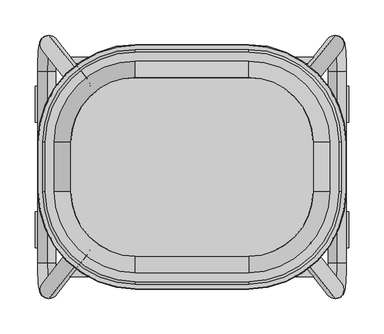
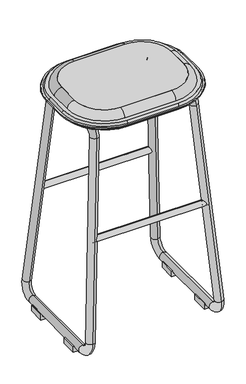
"""IFC4 building model written with IfcOpenShell, lengths in millimetres: furniture geometry."""

from ifc_helpers import new_model, si_unit, point, frame, frame_2d, origin, place, context, project, spatial, polyline, circle_curve, ellipse_curve, trimmed, segment, composite_curve, outline, extrude, source, transform, mapped, element, save
from ifc_brep_helpers import plane_surface, cylinder_surface, revolved_surface, advanced_brep


def furniture_a6518928(model_context):
    return source(origin(), model_context, "Body", "SolidModel", [
        advanced_brep(
        [(-171.9189031, 34.925, 774.7), (-171.9189031, -34.925, 774.7), (-80.1154768, -126.7284262, 774.7), (80.1154768, -126.7284262, 774.7), (171.9189031, -34.925, 774.7), (171.9189031, 34.925, 774.7), (80.1154768, 126.7284262, 774.7), (-80.1154768, 126.7284262, 774.7), (-178.5135382, 34.925, 730.2750418), (-80.1154768, 133.3230614, 730.2750418), (80.1154768, 133.3230614, 730.2750418), (178.5135382, 34.925, 730.2750418), (178.5135382, -34.925, 730.2750418), (80.1154768, -133.3230614, 730.2750418), (-80.1154768, -133.3230614, 730.2750418), (-178.5135382, -34.925, 730.2750418)],
        [
            (0, 1),
            (1, 2, circle_curve(frame((-80.1154768, -34.925, 774.7), z_axis=(0.0, 0.0, 1.0), x_axis=(0.0, -1.0000000000000002, 0.0)), 91.8034262)),
            (2, 3),
            (3, 4, circle_curve(frame((80.1154768, -34.925, 774.7), z_axis=(0.0, 0.0, 1.0), x_axis=(1.0000000000000002, 0.0, 0.0)), 91.8034262)),
            (4, 5),
            (5, 6, circle_curve(frame((80.1154768, 34.925, 774.7), z_axis=(0.0, 0.0, 1.0), x_axis=(0.0, 1.0000000000000002, 0.0)), 91.8034262)),
            (6, 7),
            (7, 0, circle_curve(frame((-80.1154768, 34.925, 774.7), z_axis=(0.0, 0.0, 1.0), x_axis=(-1.0000000000000002, 0.0, 0.0)), 91.8034262)),
            (8, 9, circle_curve(frame((-80.1154768, 34.925, 730.2750418), z_axis=(0.0, 0.0, -1.0), x_axis=(-1.0000000000000002, 0.0, 0.0)), 98.3980614)),
            (9, 10),
            (10, 11, circle_curve(frame((80.1154768, 34.925, 730.2750418), z_axis=(0.0, 0.0, -1.0), x_axis=(0.0, 1.0000000000000002, 0.0)), 98.3980614)),
            (11, 12),
            (12, 13, circle_curve(frame((80.1154768, -34.925, 730.2750418), z_axis=(0.0, 0.0, -1.0), x_axis=(1.0000000000000002, 0.0, 0.0)), 98.3980614)),
            (13, 14),
            (14, 15, circle_curve(frame((-80.1154768, -34.925, 730.2750418), z_axis=(0.0, 0.0, -1.0), x_axis=(0.0, -1.0000000000000002, 0.0)), 98.3980614)),
            (15, 8),
            (8, 0),
            (7, 9),
            (6, 10),
            (5, 11),
            (4, 12),
            (3, 13),
            (2, 14),
            (1, 15),
        ],
        [
            plane_surface(frame((0.0, 0.0, 774.7), z_axis=(0.0, 0.0, 1.0), x_axis=(1.0, 0.0, 0.0))),
            plane_surface(frame((0.0, 0.0, 730.2750418), z_axis=(0.0, 0.0, -1.0), x_axis=(1.0, 0.0, 0.0))),
            revolved_surface(polyline([(-171.91890304995738, 34.925, 774.7), (-178.5135382, 34.925, 730.2750418)]), (-80.1154768, 34.925, 1393.1365444), (0.0, 0.0, -1.0)),
            plane_surface(frame((0.0, 133.3230614, 730.2750418), z_axis=(0.0, 0.989160943328851, 0.14683537786507003), x_axis=(1.0, 0.0, 0.0))),
            revolved_surface(polyline([(80.1154768, 126.72842624995738, 774.7), (80.1154768, 133.3230614, 730.2750418)]), (80.1154768, 34.925, 1393.1365444), (0.0, 0.0, -1.0)),
            plane_surface(frame((178.5135382, 0.0, 730.2750418), z_axis=(0.9891609433288493, 0.0, 0.14683537786508108), x_axis=(0.0, -1.0, 0.0))),
            revolved_surface(polyline([(171.91890304995738, -34.925, 774.7), (178.5135382, -34.925, 730.2750418)]), (80.1154768, -34.925, 1393.1365444), (0.0, 0.0, -1.0)),
            plane_surface(frame((0.0, -133.3230614, 730.2750418), z_axis=(0.0, -0.9891609433288517, 0.14683537786506412), x_axis=(-1.0, 0.0, 0.0))),
            revolved_surface(polyline([(-80.1154768, -126.72842624995738, 774.7), (-80.1154768, -133.3230614, 730.2750418)]), (-80.1154768, -34.925, 1393.1365444), (0.0, 0.0, -1.0)),
            plane_surface(frame((-178.5135382, 0.0, 730.2750418), z_axis=(-0.989160943328849, 0.0, 0.14683537786508405), x_axis=(0.0, 1.0, 0.0))),
        ],
        [
            (0, [[1, 2, 3, 4, 5, 6, 7, 8]]),
            (1, [[9, 10, 11, 12, 13, 14, 15, 16]]),
            (2, [[17, -8, 18, -9]]),
            (3, [[-18, -7, 19, -10]]),
            (4, [[-19, -6, 20, -11]]),
            (5, [[-20, -5, 21, -12]]),
            (6, [[-21, -4, 22, -13]]),
            (7, [[-22, -3, 23, -14]]),
            (8, [[-23, -2, 24, -15]]),
            (9, [[-24, -1, -17, -16]]),
        ],
    ),
        advanced_brep(
        [(80.1154768, -126.7284262, 774.7), (80.1154768, -133.3230614, 730.2750418), (-80.1154768, -133.3230614, 730.2750418), (-80.1154768, -126.7284262, 774.7), (-80.1154768, -127.3919978, 774.7097382), (-80.1154768, -149.9409798, 753.7993229), (80.1154768, -149.9409798, 753.7993229), (-207.8314566, -34.925, 753.7993229), (-80.1154768, -162.6409798, 753.7993229), (80.1154768, -162.6409798, 753.7993229), (207.8314566, -34.925, 753.7993229), (207.8314566, 34.925, 753.7993229), (80.1154768, 162.6409798, 753.7993229), (-80.1154768, 162.6409798, 753.7993229), (-207.8314566, 34.925, 753.7993229), (-195.1314566, -34.925, 753.7993229), (-195.1314566, 34.925, 753.7993229), (-80.1154768, 149.9409798, 753.7993229), (80.1154768, 149.9409798, 753.7993229), (195.1314566, 34.925, 753.7993229), (195.1314566, -34.925, 753.7993229), (-80.1154768, -166.2791169, 745.9973126), (80.1154768, -166.2791169, 745.9973126), (-217.8195937, -34.925, 745.9973126), (-80.1154768, -172.6291169, 745.9973126), (80.1154768, -172.6291169, 745.9973126), (217.8195937, -34.925, 745.9973126), (217.8195937, 34.925, 745.9973126), (80.1154768, 172.6291169, 745.9973126), (-80.1154768, 172.6291169, 745.9973126), (-217.8195937, 34.925, 745.9973126), (-211.4695937, -34.925, 745.9973126), (-211.4695937, 34.925, 745.9973126), (-80.1154768, 166.2791169, 745.9973126), (80.1154768, 166.2791169, 745.9973126), (211.4695937, 34.925, 745.9973126), (211.4695937, -34.925, 745.9973126), (-80.1154768, -173.4175169, 743.0549637), (80.1154768, -173.4175169, 743.0549637), (-218.6079938, -34.925, 743.0549637), (-218.6079938, 34.925, 743.0549637), (-80.1154768, 173.4175169, 743.0549637), (80.1154768, 173.4175169, 743.0549637), (218.6079938, 34.925, 743.0549637), (218.6079938, -34.925, 743.0549637), (-212.2579938, -34.925, 743.0549637), (-80.1154768, -167.0675169, 743.0549637), (80.1154768, -167.0675169, 743.0549637), (212.2579938, -34.925, 743.0549637), (212.2579938, 34.925, 743.0549637), (80.1154768, 167.0675169, 743.0549637), (-80.1154768, 167.0675169, 743.0549637), (-212.2579938, 34.925, 743.0549637), (-80.1154768, -163.4840689, 733.2095211), (80.1154768, -163.4840689, 733.2095211), (171.9189031, -34.925, 774.7), (178.5135382, -34.925, 730.2750418), (208.6745457, -34.925, 733.2095211), (171.9189031, 34.925, 774.7), (178.5135382, 34.925, 730.2750418), (208.6745457, 34.925, 733.2095211), (80.1154768, 126.7284262, 774.7), (80.1154768, 133.3230614, 730.2750418), (80.1154768, 163.4840689, 733.2095211), (-80.1154768, 126.7284262, 774.7), (-80.1154768, 133.3230614, 730.2750418), (-80.1154768, 163.4840689, 733.2095211), (-171.9189031, -34.925, 774.7), (-178.5135382, -34.925, 730.2750418), (-208.6745457, -34.925, 733.2095211), (-178.5135382, 34.925, 730.2750418), (-171.9189031, 34.925, 774.7), (-208.6745457, 34.925, 733.2095211)],
        [
            (0, 1),
            (1, 2),
            (2, 3),
            (3, 0),
            (3, 4, circle_curve(frame((-80.1154768, -127.3919978, 752.0965561), z_axis=(1.0, 0.0, 0.0), x_axis=(0.0, -1.0000000000000002, 0.0)), 22.6131821)),
            (4, 5, circle_curve(frame((-80.1154768, -127.3919978, 752.0965561), z_axis=(1.0, 0.0, 0.0), x_axis=(0.0, -1.0000000000000002, 0.0)), 22.6131821)),
            (5, 6),
            (6, 0, circle_curve(frame((80.1154768, -127.3919978, 752.0965561), z_axis=(-1.0, 0.0, 0.0), x_axis=(0.0, -1.0000000000000002, 0.0)), 22.6131821)),
            (7, 8, circle_curve(frame((-80.1154768, -34.925, 753.7993229), z_axis=(0.0, 0.0, 1.0), x_axis=(-1.0000000000000002, 0.0, 0.0)), 127.7159798)),
            (8, 9),
            (9, 10, circle_curve(frame((80.1154768, -34.925, 753.7993229), z_axis=(0.0, 0.0, 1.0), x_axis=(1.0000000000000002, 0.0, 0.0)), 127.7159798)),
            (10, 11),
            (11, 12, circle_curve(frame((80.1154768, 34.925, 753.7993229), z_axis=(0.0, 0.0, 1.0), x_axis=(1.0000000000000002, 0.0, 0.0)), 127.7159798)),
            (12, 13),
            (13, 14, circle_curve(frame((-80.1154768, 34.925, 753.7993229), z_axis=(0.0, 0.0, 1.0), x_axis=(-1.0000000000000002, 0.0, 0.0)), 127.7159798)),
            (14, 7),
            (5, 15, circle_curve(frame((-80.1154768, -34.925, 753.7993229), z_axis=(0.0, 0.0, -1.0), x_axis=(-1.0000000000000002, 0.0, 0.0)), 115.0159798)),
            (15, 16),
            (16, 17, circle_curve(frame((-80.1154768, 34.925, 753.7993229), z_axis=(0.0, 0.0, -1.0), x_axis=(-1.0000000000000002, 0.0, 0.0)), 115.0159798)),
            (17, 18),
            (18, 19, circle_curve(frame((80.1154768, 34.925, 753.7993229), z_axis=(0.0, 0.0, -1.0), x_axis=(1.0000000000000002, 0.0, 0.0)), 115.0159798)),
            (19, 20),
            (20, 6, circle_curve(frame((80.1154768, -34.925, 753.7993229), z_axis=(0.0, 0.0, -1.0), x_axis=(1.0000000000000002, 0.0, 0.0)), 115.0159798)),
            (8, 21, circle_curve(frame((-80.1154768, -153.8392427, 744.9457548), z_axis=(1.0, 0.0, 0.0), x_axis=(0.0, -1.0000000000000002, 0.0)), 12.4842398)),
            (21, 22),
            (22, 9, circle_curve(frame((80.1154768, -153.8392427, 744.9457548), z_axis=(-1.0, 0.0, 0.0), x_axis=(0.0, -1.0000000000000002, 0.0)), 12.4842398)),
            (23, 24, circle_curve(frame((-80.1154768, -34.925, 745.9973126), z_axis=(0.0, 0.0, 1.0), x_axis=(-1.0000000000000002, 0.0, 0.0)), 137.7041169)),
            (24, 25),
            (25, 26, circle_curve(frame((80.1154768, -34.925, 745.9973126), z_axis=(0.0, 0.0, 1.0), x_axis=(1.0000000000000002, 0.0, 0.0)), 137.7041169)),
            (26, 27),
            (27, 28, circle_curve(frame((80.1154768, 34.925, 745.9973126), z_axis=(0.0, 0.0, 1.0), x_axis=(1.0000000000000002, 0.0, 0.0)), 137.7041169)),
            (28, 29),
            (29, 30, circle_curve(frame((-80.1154768, 34.925, 745.9973126), z_axis=(0.0, 0.0, 1.0), x_axis=(-1.0000000000000002, 0.0, 0.0)), 137.7041169)),
            (30, 23),
            (21, 31, circle_curve(frame((-80.1154768, -34.925, 745.9973126), z_axis=(0.0, 0.0, -1.0), x_axis=(-1.0000000000000002, 0.0, 0.0)), 131.3541169)),
            (31, 32),
            (32, 33, circle_curve(frame((-80.1154768, 34.925, 745.9973126), z_axis=(0.0, 0.0, -1.0), x_axis=(-1.0000000000000002, 0.0, 0.0)), 131.3541169)),
            (33, 34),
            (34, 35, circle_curve(frame((80.1154768, 34.925, 745.9973126), z_axis=(0.0, 0.0, -1.0), x_axis=(1.0000000000000002, 0.0, 0.0)), 131.3541169)),
            (35, 36),
            (36, 22, circle_curve(frame((80.1154768, -34.925, 745.9973126), z_axis=(0.0, 0.0, -1.0), x_axis=(1.0000000000000002, 0.0, 0.0)), 131.3541169)),
            (24, 37),
            (37, 38),
            (38, 25),
            (37, 39, circle_curve(frame((-80.1154768, -34.925, 743.0549637), z_axis=(0.0, 0.0, -1.0), x_axis=(-1.0000000000000002, 0.0, 0.0)), 138.4925169)),
            (39, 40),
            (40, 41, circle_curve(frame((-80.1154768, 34.925, 743.0549637), z_axis=(0.0, 0.0, -1.0), x_axis=(-1.0000000000000002, 0.0, 0.0)), 138.4925169)),
            (41, 42),
            (42, 43, circle_curve(frame((80.1154768, 34.925, 743.0549637), z_axis=(0.0, 0.0, -1.0), x_axis=(1.0000000000000002, 0.0, 0.0)), 138.4925169)),
            (43, 44),
            (44, 38, circle_curve(frame((80.1154768, -34.925, 743.0549637), z_axis=(0.0, 0.0, -1.0), x_axis=(1.0000000000000002, 0.0, 0.0)), 138.4925169)),
            (45, 46, circle_curve(frame((-80.1154768, -34.925, 743.0549637), z_axis=(0.0, 0.0, 1.0), x_axis=(-1.0000000000000002, 0.0, 0.0)), 132.1425169)),
            (46, 47),
            (47, 48, circle_curve(frame((80.1154768, -34.925, 743.0549637), z_axis=(0.0, 0.0, 1.0), x_axis=(1.0000000000000002, 0.0, 0.0)), 132.1425169)),
            (48, 49),
            (49, 50, circle_curve(frame((80.1154768, 34.925, 743.0549637), z_axis=(0.0, 0.0, 1.0), x_axis=(1.0000000000000002, 0.0, 0.0)), 132.1425169)),
            (50, 51),
            (51, 52, circle_curve(frame((-80.1154768, 34.925, 743.0549637), z_axis=(0.0, 0.0, 1.0), x_axis=(-1.0000000000000002, 0.0, 0.0)), 132.1425169)),
            (52, 45),
            (46, 53, circle_curve(frame((-80.1154768, -148.476041, 744.246852), z_axis=(1.0, 0.0, 0.0), x_axis=(0.0, -1.0000000000000002, 0.0)), 18.6296423)),
            (53, 54),
            (54, 47, circle_curve(frame((80.1154768, -148.476041, 744.246852), z_axis=(-1.0, 0.0, 0.0), x_axis=(0.0, -1.0000000000000002, 0.0)), 18.6296423)),
            (1, 54),
            (53, 2),
            (20, 55, circle_curve(frame((172.5824746, -34.925, 752.0965561), z_axis=(0.0, -1.0000000000000002, 0.0), x_axis=(0.0, 0.0, 1.0)), 22.6131821)),
            (55, 0, circle_curve(frame((80.1154768, -34.925, 774.7), z_axis=(0.0, 0.0, -1.0), x_axis=(1.0000000000000002, 0.0, 0.0)), 91.8034262)),
            (55, 56),
            (56, 1, circle_curve(frame((80.1154768, -34.925, 730.2750418), z_axis=(0.0, 0.0, -1.0), x_axis=(1.0000000000000002, 0.0, 0.0)), 98.3980614)),
            (56, 57),
            (57, 54, circle_curve(frame((80.1154768, -34.925, 733.2095211), z_axis=(0.0, 0.0, -1.0), x_axis=(1.0000000000000002, 0.0, 0.0)), 128.5590689)),
            (57, 48, circle_curve(frame((193.6665179, -34.925, 744.246852), z_axis=(0.0, -1.0000000000000002, 0.0), x_axis=(0.0, 0.0, 1.0)), 18.6296423)),
            (44, 26),
            (36, 10, circle_curve(frame((199.0297195, -34.925, 744.9457548), z_axis=(0.0, -1.0000000000000002, 0.0), x_axis=(0.0, 0.0, 1.0)), 12.4842398)),
            (58, 59),
            (59, 56),
            (55, 58),
            (59, 60),
            (60, 57),
            (60, 49, circle_curve(frame((193.6665179, 34.925, 744.246852), z_axis=(0.0, -1.0, 0.0), x_axis=(0.0, 0.0, 1.0)), 18.6296423)),
            (43, 27),
            (35, 11, circle_curve(frame((199.0297195, 34.925, 744.9457548), z_axis=(0.0, -1.0, 0.0), x_axis=(0.0, 0.0, 1.0)), 12.4842398)),
            (19, 58, circle_curve(frame((172.5824746, 34.925, 752.0965561), z_axis=(0.0, -1.0, 0.0), x_axis=(0.0, 0.0, 1.0)), 22.6131821)),
            (18, 61, circle_curve(frame((80.1154768, 127.3919978, 752.0965561), z_axis=(1.0000000000000002, 0.0, 0.0), x_axis=(0.0, 0.0, 1.0)), 22.6131821)),
            (61, 58, circle_curve(frame((80.1154768, 34.925, 774.7), z_axis=(0.0, 0.0, -1.0), x_axis=(1.0000000000000002, 0.0, 0.0)), 91.8034262)),
            (61, 62),
            (62, 59, circle_curve(frame((80.1154768, 34.925, 730.2750418), z_axis=(0.0, 0.0, -1.0), x_axis=(1.0000000000000002, 0.0, 0.0)), 98.3980614)),
            (62, 63),
            (63, 60, circle_curve(frame((80.1154768, 34.925, 733.2095211), z_axis=(0.0, 0.0, -1.0), x_axis=(1.0000000000000002, 0.0, 0.0)), 128.5590689)),
            (63, 50, circle_curve(frame((80.1154768, 148.476041, 744.246852), z_axis=(1.0000000000000002, 0.0, 0.0), x_axis=(0.0, 0.0, 1.0)), 18.6296423)),
            (42, 28),
            (34, 12, circle_curve(frame((80.1154768, 153.8392427, 744.9457548), z_axis=(1.0000000000000002, 0.0, 0.0), x_axis=(0.0, 0.0, 1.0)), 12.4842398)),
            (61, 64),
            (64, 65),
            (65, 62),
            (17, 64, circle_curve(frame((-80.1154768, 127.3919978, 752.0965561), z_axis=(1.0, 0.0, 0.0), x_axis=(0.0, 1.0000000000000002, 0.0)), 22.6131821)),
            (33, 13, circle_curve(frame((-80.1154768, 153.8392427, 744.9457548), z_axis=(1.0, 0.0, 0.0), x_axis=(0.0, 1.0000000000000002, 0.0)), 12.4842398)),
            (41, 29),
            (63, 66),
            (66, 51, circle_curve(frame((-80.1154768, 148.476041, 744.246852), z_axis=(1.0, 0.0, 0.0), x_axis=(0.0, 1.0000000000000002, 0.0)), 18.6296423)),
            (65, 66),
            (3, 67, circle_curve(frame((-80.1154768, -34.925, 774.7), z_axis=(0.0, 0.0, -1.0), x_axis=(-1.0000000000000002, 0.0, 0.0)), 91.8034262)),
            (67, 15, circle_curve(frame((-172.5824746, -34.925, 752.0965561), z_axis=(0.0, -1.0000000000000002, 0.0), x_axis=(0.0, 0.0, 1.0)), 22.6131821)),
            (2, 68, circle_curve(frame((-80.1154768, -34.925, 730.2750418), z_axis=(0.0, 0.0, -1.0), x_axis=(-1.0000000000000002, 0.0, 0.0)), 98.3980614)),
            (68, 67),
            (53, 69, circle_curve(frame((-80.1154768, -34.925, 733.2095211), z_axis=(0.0, 0.0, -1.0), x_axis=(-1.0000000000000002, 0.0, 0.0)), 128.5590689)),
            (69, 68),
            (45, 69, circle_curve(frame((-193.6665179, -34.925, 744.246852), z_axis=(0.0, -1.0000000000000002, 0.0), x_axis=(0.0, 0.0, 1.0)), 18.6296423)),
            (23, 39),
            (7, 31, circle_curve(frame((-199.0297195, -34.925, 744.9457548), z_axis=(0.0, -1.0000000000000002, 0.0), x_axis=(0.0, 0.0, 1.0)), 12.4842398)),
            (70, 71),
            (71, 67),
            (68, 70),
            (69, 72),
            (72, 70),
            (52, 72, circle_curve(frame((-193.6665179, 34.925, 744.246852), z_axis=(0.0, -1.0, 0.0), x_axis=(0.0, 0.0, 1.0)), 18.6296423)),
            (30, 40),
            (14, 32, circle_curve(frame((-199.0297195, 34.925, 744.9457548), z_axis=(0.0, -1.0, 0.0), x_axis=(0.0, 0.0, 1.0)), 12.4842398)),
            (71, 16, circle_curve(frame((-172.5824746, 34.925, 752.0965561), z_axis=(0.0, -1.0, 0.0), x_axis=(0.0, 0.0, 1.0)), 22.6131821)),
            (71, 64, circle_curve(frame((-80.1154768, 34.925, 774.7), z_axis=(0.0, 0.0, -1.0), x_axis=(-1.0000000000000002, 0.0, 0.0)), 91.8034262)),
            (70, 65, circle_curve(frame((-80.1154768, 34.925, 730.2750418), z_axis=(0.0, 0.0, -1.0), x_axis=(-1.0000000000000002, 0.0, 0.0)), 98.3980614)),
            (72, 66, circle_curve(frame((-80.1154768, 34.925, 733.2095211), z_axis=(0.0, 0.0, -1.0), x_axis=(-1.0000000000000002, 0.0, 0.0)), 128.5590689)),
        ],
        [
            plane_surface(frame((80.1154768, -126.7284262, 774.7), z_axis=(0.0, 0.9891609433288518, -0.1468353778650639), x_axis=(-1.0, 0.0, 0.0))),
            cylinder_surface(frame((-80.1154768, -127.3919978, 752.0965561), z_axis=(1.0000000000000002, 0.0, 0.0), x_axis=(0.0, -1.0000000000000002, 0.0)), 22.6131821),
            plane_surface(frame((80.1154768, -162.6409798, 753.7993229), z_axis=(0.0, 0.0, 1.0), x_axis=(-1.0, 0.0, 0.0))),
            cylinder_surface(frame((-80.1154768, -153.8392427, 744.9457548), z_axis=(1.0000000000000002, 0.0, 0.0), x_axis=(0.0, -1.0000000000000002, 0.0)), 12.4842398),
            plane_surface(frame((80.1154768, -172.6291169, 745.9973126), z_axis=(0.0, 0.0, 1.0), x_axis=(-1.0, 0.0, 0.0))),
            plane_surface(frame((80.1154768, -173.4175169, 743.0549637), z_axis=(0.0, -0.9659258262890752, 0.2588190451024952), x_axis=(-1.0, 0.0, 0.0))),
            plane_surface(frame((80.1154768, -167.0675169, 743.0549637), z_axis=(0.0, 0.0, -1.0), x_axis=(-1.0, 0.0, 0.0))),
            cylinder_surface(frame((-80.1154768, -148.476041, 744.246852), z_axis=(1.0000000000000002, 0.0, 0.0), x_axis=(0.0, -1.0000000000000002, 0.0)), 18.6296423),
            plane_surface(frame((80.1154768, -133.3230614, 730.2750418), z_axis=(0.0, -0.09683655773188508, -0.9953002969388883), x_axis=(-1.0, 0.0, 0.0))),
            revolved_surface(trimmed(ellipse_curve(frame((172.5824746, -34.925, 752.0965561), z_axis=(0.0, -1.0000000000000002, 0.0), x_axis=(0.0, 0.0, 1.0)), 22.6131821, 22.6131821), [point((195.1314566, -34.925, 753.7993229))], [point((171.9189031, -34.925, 774.7))], True, "CARTESIAN"), (80.1154768, -34.925, 866.2574778), (0.0, 0.0, 1.0)),
            revolved_surface(polyline([(171.9189031, -34.925, 774.7), (178.5135382, -34.925, 730.2750418)]), (80.1154768, -34.925, 866.2574778), (0.0, 0.0, 1.0)),
            revolved_surface(polyline([(178.5135382, -34.925, 730.2750418), (208.6745457, -34.925, 733.2095211)]), (80.1154768, -34.925, 866.2574778), (0.0, 0.0, 1.0)),
            revolved_surface(trimmed(ellipse_curve(frame((193.6665179, -34.925, 744.246852), z_axis=(0.0, -1.0000000000000002, 0.0), x_axis=(0.0, 0.0, 1.0)), 18.6296423, 18.6296423), [point((208.6745457, -34.925, 733.2095211))], [point((212.2579938, -34.925, 743.0549637))], True, "CARTESIAN"), (80.1154768, -34.925, 866.2574778), (0.0, 0.0, 1.0)),
            revolved_surface(polyline([(218.6079938, -34.925, 743.0549637), (217.8195937, -34.925, 745.9973126)]), (80.1154768, -34.925, 866.2574778), (0.0, 0.0, 1.0)),
            revolved_surface(trimmed(ellipse_curve(frame((199.0297195, -34.925, 744.9457548), z_axis=(0.0, -1.0000000000000002, 0.0), x_axis=(0.0, 0.0, 1.0)), 12.4842398, 12.4842398), [point((211.4695937, -34.925, 745.9973126))], [point((207.8314566, -34.925, 753.7993229))], True, "CARTESIAN"), (80.1154768, -34.925, 866.2574778), (0.0, 0.0, 1.0)),
            plane_surface(frame((171.9189031, 34.925, 774.7), z_axis=(-0.9891609433288493, 0.0, -0.14683537786508108), x_axis=(0.0, -1.0, 0.0))),
            plane_surface(frame((178.5135382, 34.925, 730.2750418), z_axis=(0.09683655773190229, 0.0, -0.9953002969388867), x_axis=(0.0, -1.0, 0.0))),
            cylinder_surface(frame((193.6665179, -34.925, 744.246852), z_axis=(0.0, 1.0000000000000002, 0.0), x_axis=(0.0, 0.0, 1.0)), 18.6296423),
            plane_surface(frame((218.6079938, 34.925, 743.0549637), z_axis=(0.9659258262890694, 0.0, 0.2588190451025166), x_axis=(0.0, -1.0, 0.0))),
            cylinder_surface(frame((199.0297195, -34.925, 744.9457548), z_axis=(0.0, 1.0000000000000002, 0.0), x_axis=(0.0, 0.0, 1.0)), 12.4842398),
            cylinder_surface(frame((172.5824746, -34.925, 752.0965561), z_axis=(0.0, 1.0000000000000002, 0.0), x_axis=(0.0, 0.0, 1.0)), 22.6131821),
            revolved_surface(trimmed(ellipse_curve(frame((172.5824746, 34.925, 752.0965561), z_axis=(0.0, 1.0000000000000002, 0.0), x_axis=(0.0, 0.0, 1.0)), 22.6131821, 22.6131821), [point((171.9189031, 34.925, 774.7))], [point((195.1314566, 34.925, 753.7993229))], True, "CARTESIAN"), (80.1154768, 34.925, 866.2574778), (0.0, 0.0, -1.0)),
            revolved_surface(polyline([(178.5135382, 34.925, 730.2750418), (171.9189031, 34.925, 774.7)]), (80.1154768, 34.925, 866.2574778), (0.0, 0.0, -1.0)),
            revolved_surface(polyline([(208.6745457, 34.925, 733.2095211), (178.5135382, 34.925, 730.2750418)]), (80.1154768, 34.925, 866.2574778), (0.0, 0.0, -1.0)),
            revolved_surface(trimmed(ellipse_curve(frame((193.6665179, 34.925, 744.246852), z_axis=(0.0, 1.0000000000000002, 0.0), x_axis=(0.0, 0.0, 1.0)), 18.6296423, 18.6296423), [point((212.2579938, 34.925, 743.0549637))], [point((208.6745457, 34.925, 733.2095211))], True, "CARTESIAN"), (80.1154768, 34.925, 866.2574778), (0.0, 0.0, -1.0)),
            revolved_surface(polyline([(217.8195937, 34.925, 745.9973126), (218.6079938, 34.925, 743.0549637)]), (80.1154768, 34.925, 866.2574778), (0.0, 0.0, -1.0)),
            revolved_surface(trimmed(ellipse_curve(frame((199.0297195, 34.925, 744.9457548), z_axis=(0.0, 1.0000000000000002, 0.0), x_axis=(0.0, 0.0, 1.0)), 12.4842398, 12.4842398), [point((207.8314566, 34.925, 753.7993229))], [point((211.4695937, 34.925, 745.9973126))], True, "CARTESIAN"), (80.1154768, 34.925, 866.2574778), (0.0, 0.0, -1.0)),
            plane_surface(frame((80.1154768, 133.3230614, 730.2750418), z_axis=(0.0, -0.9891609433288518, -0.14683537786506393), x_axis=(-1.0, 0.0, 0.0))),
            cylinder_surface(frame((-80.1154768, 127.3919978, 752.0965561), z_axis=(1.0000000000000002, 0.0, 0.0), x_axis=(0.0, 1.0000000000000002, 0.0)), 22.6131821),
            cylinder_surface(frame((-80.1154768, 153.8392427, 744.9457548), z_axis=(1.0000000000000002, 0.0, 0.0), x_axis=(0.0, 1.0000000000000002, 0.0)), 12.4842398),
            plane_surface(frame((80.1154768, 172.6291169, 745.9973126), z_axis=(0.0, 0.9659258262890752, 0.2588190451024952), x_axis=(-1.0, 0.0, 0.0))),
            cylinder_surface(frame((-80.1154768, 148.476041, 744.246852), z_axis=(1.0000000000000002, 0.0, 0.0), x_axis=(0.0, 1.0000000000000002, 0.0)), 18.6296423),
            plane_surface(frame((80.1154768, 163.4840689, 733.2095211), z_axis=(0.0, 0.0968365577318848, -0.9953002969388883), x_axis=(-1.0, 0.0, 0.0))),
            revolved_surface(trimmed(ellipse_curve(frame((-172.5824746, -34.925, 752.0965561), z_axis=(0.0, -1.0000000000000002, 0.0), x_axis=(0.0, 0.0, 1.0)), 22.6131821, 22.6131821), [point((-171.9189031, -34.925, 774.7))], [point((-195.1314566, -34.925, 753.7993229))], True, "CARTESIAN"), (-80.1154768, -34.925, 866.2574778), (0.0, 0.0, -1.0)),
            revolved_surface(polyline([(-178.5135382, -34.925, 730.2750418), (-171.9189031, -34.925, 774.7)]), (-80.1154768, -34.925, 866.2574778), (0.0, 0.0, -1.0)),
            revolved_surface(polyline([(-208.6745457, -34.925, 733.2095211), (-178.5135382, -34.925, 730.2750418)]), (-80.1154768, -34.925, 866.2574778), (0.0, 0.0, -1.0)),
            revolved_surface(trimmed(ellipse_curve(frame((-193.6665179, -34.925, 744.246852), z_axis=(0.0, -1.0000000000000002, 0.0), x_axis=(0.0, 0.0, 1.0)), 18.6296423, 18.6296423), [point((-212.2579938, -34.925, 743.0549637))], [point((-208.6745457, -34.925, 733.2095211))], True, "CARTESIAN"), (-80.1154768, -34.925, 866.2574778), (0.0, 0.0, -1.0)),
            revolved_surface(polyline([(-217.8195937, -34.925, 745.9973126), (-218.6079938, -34.925, 743.0549637)]), (-80.1154768, -34.925, 866.2574778), (0.0, 0.0, -1.0)),
            revolved_surface(trimmed(ellipse_curve(frame((-199.0297195, -34.925, 744.9457548), z_axis=(0.0, -1.0000000000000002, 0.0), x_axis=(0.0, 0.0, 1.0)), 12.4842398, 12.4842398), [point((-207.8314566, -34.925, 753.7993229))], [point((-211.4695937, -34.925, 745.9973126))], True, "CARTESIAN"), (-80.1154768, -34.925, 866.2574778), (0.0, 0.0, -1.0)),
            plane_surface(frame((-178.5135382, 34.925, 730.2750418), z_axis=(0.9891609433288493, 0.0, -0.14683537786508108), x_axis=(0.0, -1.0, 0.0))),
            plane_surface(frame((-208.6745457, 34.925, 733.2095211), z_axis=(-0.09683655773190229, 0.0, -0.9953002969388867), x_axis=(0.0, -1.0, 0.0))),
            cylinder_surface(frame((-193.6665179, -34.925, 744.246852), z_axis=(0.0, 1.0000000000000002, 0.0), x_axis=(0.0, 0.0, 1.0)), 18.6296423),
            plane_surface(frame((-217.8195937, 34.925, 745.9973126), z_axis=(-0.9659258262890694, 0.0, 0.2588190451025166), x_axis=(0.0, -1.0, 0.0))),
            cylinder_surface(frame((-199.0297195, -34.925, 744.9457548), z_axis=(0.0, 1.0000000000000002, 0.0), x_axis=(0.0, 0.0, 1.0)), 12.4842398),
            cylinder_surface(frame((-172.5824746, -34.925, 752.0965561), z_axis=(0.0, 1.0000000000000002, 0.0), x_axis=(0.0, 0.0, 1.0)), 22.6131821),
            revolved_surface(trimmed(ellipse_curve(frame((-172.5824746, 34.925, 752.0965561), z_axis=(0.0, 1.0000000000000002, 0.0), x_axis=(0.0, 0.0, 1.0)), 22.6131821, 22.6131821), [point((-195.1314566, 34.925, 753.7993229))], [point((-171.9189031, 34.925, 774.7))], True, "CARTESIAN"), (-80.1154768, 34.925, 866.2574778), (0.0, 0.0, 1.0)),
            revolved_surface(polyline([(-171.9189031, 34.925, 774.7), (-178.5135382, 34.925, 730.2750418)]), (-80.1154768, 34.925, 866.2574778), (0.0, 0.0, 1.0)),
            revolved_surface(polyline([(-178.5135382, 34.925, 730.2750418), (-208.6745457, 34.925, 733.2095211)]), (-80.1154768, 34.925, 866.2574778), (0.0, 0.0, 1.0)),
            revolved_surface(trimmed(ellipse_curve(frame((-193.6665179, 34.925, 744.246852), z_axis=(0.0, 1.0000000000000002, 0.0), x_axis=(0.0, 0.0, 1.0)), 18.6296423, 18.6296423), [point((-208.6745457, 34.925, 733.2095211))], [point((-212.2579938, 34.925, 743.0549637))], True, "CARTESIAN"), (-80.1154768, 34.925, 866.2574778), (0.0, 0.0, 1.0)),
            revolved_surface(polyline([(-218.6079938, 34.925, 743.0549637), (-217.8195937, 34.925, 745.9973126)]), (-80.1154768, 34.925, 866.2574778), (0.0, 0.0, 1.0)),
            revolved_surface(trimmed(ellipse_curve(frame((-199.0297195, 34.925, 744.9457548), z_axis=(0.0, 1.0000000000000002, 0.0), x_axis=(0.0, 0.0, 1.0)), 12.4842398, 12.4842398), [point((-211.4695937, 34.925, 745.9973126))], [point((-207.8314566, 34.925, 753.7993229))], True, "CARTESIAN"), (-80.1154768, 34.925, 866.2574778), (0.0, 0.0, 1.0)),
        ],
        [
            (0, [[1, 2, 3, 4]]),
            (1, [[5, 6, 7, 8, -4]]),
            (2, [[9, 10, 11, 12, 13, 14, 15, 16], [17, 18, 19, 20, 21, 22, 23, -7]]),
            (3, [[24, 25, 26, -10]]),
            (4, [[27, 28, 29, 30, 31, 32, 33, 34], [35, 36, 37, 38, 39, 40, 41, -25]]),
            (5, [[42, 43, 44, -28]]),
            (6, [[45, 46, 47, 48, 49, 50, 51, -43], [52, 53, 54, 55, 56, 57, 58, 59]]),
            (7, [[60, 61, 62, -53]]),
            (8, [[63, -61, 64, -2]]),
            (9, [[-8, -23, 65, 66]]),
            (10, [[67, 68, -1, -66]]),
            (11, [[69, 70, -63, -68]]),
            (12, [[71, -54, -62, -70]]),
            (13, [[72, -29, -44, -51]]),
            (14, [[73, -11, -26, -41]]),
            (15, [[74, 75, -67, 76]]),
            (16, [[77, 78, -69, -75]]),
            (17, [[79, -55, -71, -78]]),
            (18, [[80, -30, -72, -50]]),
            (19, [[81, -12, -73, -40]]),
            (20, [[-65, -22, 82, -76]]),
            (21, [[83, 84, -82, -21]]),
            (22, [[85, 86, -74, -84]]),
            (23, [[87, 88, -77, -86]]),
            (24, [[89, -56, -79, -88]]),
            (25, [[90, -31, -80, -49]]),
            (26, [[91, -13, -81, -39]]),
            (27, [[-85, 92, 93, 94]]),
            (28, [[-83, -20, 95, -92]]),
            (29, [[-91, -38, 96, -14]]),
            (30, [[-90, -48, 97, -32]]),
            (31, [[-89, 98, 99, -57]]),
            (32, [[100, -98, -87, -94]]),
            (33, [[-6, -5, 101, 102, -17]]),
            (34, [[-3, 103, 104, -101]]),
            (35, [[-64, 105, 106, -103]]),
            (36, [[-60, -52, 107, -105]]),
            (37, [[-42, -27, 108, -45]]),
            (38, [[-24, -9, 109, -35]]),
            (39, [[110, 111, -104, 112]]),
            (40, [[-106, 113, 114, -112]]),
            (41, [[-107, -59, 115, -113]]),
            (42, [[-108, -34, 116, -46]]),
            (43, [[-109, -16, 117, -36]]),
            (44, [[118, -18, -102, -111]]),
            (45, [[-95, -19, -118, 119]]),
            (46, [[-110, 120, -93, -119]]),
            (47, [[-114, 121, -100, -120]]),
            (48, [[-115, -58, -99, -121]]),
            (49, [[-116, -33, -97, -47]]),
            (50, [[-117, -15, -96, -37]]),
        ],
    ),
        extrude(outline(composite_curve([segment(polyline([(19.05, 190.5), (0.0, 190.5), (0.0, 222.25), (19.05, 222.25), (19.05, 219.075)]), True, "CONTINUOUS"), segment(trimmed(circle_curve(frame_2d((19.05, 206.375)), 12.7), [point((19.05, 219.075))], [point((19.05, 193.675))], True, "CARTESIAN"), True, "CONTINUOUS"), segment(polyline([(19.05, 193.675), (19.05, 190.5)]), True, "CONTINUOUS")], self_intersect=False)), frame((0.0, 63.5, 0.0), z_axis=(0.0, 1.0, 0.0), x_axis=(0.0, 0.0, 1.0)), (0.0, 0.0, 1.0), 50.8),
        extrude(outline(composite_curve([segment(polyline([(19.05, 190.5), (0.0, 190.5), (0.0, 222.25), (19.05, 222.25), (19.05, 219.075)]), True, "CONTINUOUS"), segment(trimmed(circle_curve(frame_2d((19.05, 206.375)), 12.7), [point((19.05, 219.075))], [point((19.05, 193.675))], True, "CARTESIAN"), True, "CONTINUOUS"), segment(polyline([(19.05, 193.675), (19.05, 190.5)]), True, "CONTINUOUS")], self_intersect=False)), frame((0.0, -114.3, 0.0), z_axis=(0.0, 1.0, 0.0), x_axis=(0.0, 0.0, 1.0)), (0.0, 0.0, 1.0), 50.8),
        extrude(outline(composite_curve([segment(polyline([(19.05, -190.5), (19.05, -193.675)]), True, "CONTINUOUS"), segment(trimmed(circle_curve(frame_2d((19.05, -206.375)), 12.7), [point((19.05, -193.675))], [point((19.05, -219.075))], True, "CARTESIAN"), True, "CONTINUOUS"), segment(polyline([(19.05, -219.075), (19.05, -222.25), (0.0, -222.25), (0.0, -190.5), (19.05, -190.5)]), True, "CONTINUOUS")], self_intersect=False)), frame((0.0, 63.5, 0.0), z_axis=(0.0, 1.0, 0.0), x_axis=(0.0, 0.0, 1.0)), (0.0, 0.0, 1.0), 50.8),
        extrude(outline(composite_curve([segment(polyline([(19.05, -190.5), (19.05, -193.675)]), True, "CONTINUOUS"), segment(trimmed(circle_curve(frame_2d((19.05, -206.375)), 12.7), [point((19.05, -193.675))], [point((19.05, -219.075))], True, "CARTESIAN"), True, "CONTINUOUS"), segment(polyline([(19.05, -219.075), (19.05, -222.25), (0.0, -222.25), (0.0, -190.5), (19.05, -190.5)]), True, "CONTINUOUS")], self_intersect=False)), frame((0.0, -114.3, 0.0), z_axis=(0.0, 1.0, 0.0), x_axis=(0.0, 0.0, 1.0)), (0.0, 0.0, 1.0), 50.8),
        extrude(outline(composite_curve([segment(trimmed(circle_curve(frame_2d((-146.05, 381.0)), 9.525), [point((-146.05, 371.475))], [point((-146.05, 390.525))], False, "CARTESIAN"), True, "CONTINUOUS"), segment(trimmed(circle_curve(frame_2d((-146.05, 381.0)), 9.525), [point((-146.05, 390.525))], [point((-146.05, 371.475))], False, "CARTESIAN"), True, "CONTINUOUS")], self_intersect=False)), frame((-181.0934619, 0.0, 0.0), z_axis=(1.0, 0.0, 0.0), x_axis=(0.0, 1.0, 0.0)), (0.0, 0.0, 1.0), 362.2632643),
        extrude(outline(composite_curve([segment(trimmed(circle_curve(frame_2d((146.05, 381.0)), 9.525), [point((146.05, 371.475))], [point((146.05, 390.525))], False, "CARTESIAN"), True, "CONTINUOUS"), segment(trimmed(circle_curve(frame_2d((146.05, 381.0)), 9.525), [point((146.05, 390.525))], [point((146.05, 371.475))], False, "CARTESIAN"), True, "CONTINUOUS")], self_intersect=False)), frame((-181.0934619, 0.0, 0.0), z_axis=(1.0, 0.0, 0.0), x_axis=(0.0, 1.0, 0.0)), (0.0, 0.0, 1.0), 362.2632643),
        advanced_brep(
        [(206.8878631, 136.0922452, 7.6863711), (205.0619686, 136.0922452, 33.0206583), (203.0713295, 161.388645, 60.6407759), (202.9065849, 186.6850447, 62.9266063), (206.8878631, -136.0601329, 7.6863711), (205.0619686, -136.0601329, 33.0206583), (202.9037974, -186.6494044, 62.9652827), (203.0699357, -161.3547687, 60.6601141), (157.1661243, -128.5152474, 697.5754975), (157.3322626, -103.2206117, 695.2703289), (154.6764899, -90.5732939, 732.1191754), (156.5023844, -90.5732939, 706.7848882), (154.6764899, 91.0971207, 732.1191754), (156.5023844, 91.0971207, 706.7848882), (157.1682149, 129.0417203, 697.5464902), (157.3329594, 103.7453205, 695.2606598)],
        [
            (0, 1, circle_curve(frame((205.9749159, 136.0922452, 20.3535147), z_axis=(0.0, 1.0, 0.0), x_axis=(-0.07188561316907624, 0.0, 0.9974128827217472)), 12.7)),
            (1, 2, circle_curve(frame((203.236074, 136.0922452, 58.3549455), z_axis=(0.9974128827217472, 0.0, 0.07188561316907627), x_axis=(-0.006486005276111782, 0.9959212486506532, 0.08999332320612442)), 25.4)),
            (2, 3, circle_curve(frame((202.9889572, 174.0368448, 61.7836911), z_axis=(0.07159240962736406, 0.09022675039102149, -0.99334468358049), x_axis=(0.0064860052761117944, -0.9959212486506532, -0.08999332320612428)), 12.7)),
            (3, 0, circle_curve(frame((203.236074, 136.0922452, 58.3549455), z_axis=(-0.9974128827217472, 0.0, -0.07188561316907627), x_axis=(-0.006486005276111782, 0.9959212486506532, 0.08999332320612442)), 50.8)),
            (1, 0, circle_curve(frame((205.9749159, 136.0922452, 20.3535147), z_axis=(0.0, 0.9999999999999999, 0.0), x_axis=(-0.07188561316907624, 0.0, 0.9974128827217471)), 12.7)),
            (3, 2, circle_curve(frame((202.9889572, 174.0368448, 61.7836911), z_axis=(0.07159240962736406, 0.09022675039102149, -0.99334468358049), x_axis=(0.0064860052761117944, -0.9959212486506532, -0.08999332320612428)), 12.7)),
            (0, 4),
            (4, 5, circle_curve(frame((205.9749159, -136.0601329, 20.3535147), z_axis=(0.0, 1.0, 0.0), x_axis=(-0.07188561316907625, 0.0, 0.9974128827217472)), 12.7)),
            (5, 1),
            (5, 4, circle_curve(frame((205.9749159, -136.0601329, 20.3535147), z_axis=(0.0, 1.0, 0.0), x_axis=(-0.07188561316907625, 0.0, 0.9974128827217472)), 12.7)),
            (6, 7, circle_curve(frame((202.9868666, -174.0020865, 61.8126984), z_axis=(0.07158741724427799, -0.09099007148397101, -0.9932754142651652), x_axis=(0.006540877080923351, 0.9958517996626516, -0.09075466949788537)), 12.7)),
            (7, 5, circle_curve(frame((203.236074, -136.0601329, 58.3549455), z_axis=(0.9974128827217472, 0.0, 0.07188561316907627), x_axis=(0.07188561316907627, 0.0, -0.9974128827217472)), 25.4)),
            (4, 6, circle_curve(frame((203.236074, -136.0601329, 58.3549455), z_axis=(-0.9974128827217472, 0.0, -0.07188561316907627), x_axis=(0.07188561316907627, 0.0, -0.9974128827217472)), 50.8)),
            (7, 6, circle_curve(frame((202.9868666, -174.0020865, 61.8126984), z_axis=(0.07158741724427715, -0.09099007148409771, -0.9932754142651535), x_axis=(0.006540877080932459, 0.9958517996626399, -0.09075466949801175)), 12.7)),
            (6, 8),
            (8, 9, circle_curve(frame((157.2491934, -115.8679296, 696.4229132), z_axis=(0.07158741724427878, -0.09099007148384528, -0.9932754142651766), x_axis=(0.006540877080914306, 0.995851799662663, -0.09075466949775997)), 12.7)),
            (9, 7),
            (9, 8, circle_curve(frame((157.2491934, -115.8679296, 696.4229132), z_axis=(0.07158741724427878, -0.09099007148384528, -0.9932754142651766), x_axis=(0.006540877080914306, 0.995851799662663, -0.09075466949775997)), 12.7)),
            (10, 11, circle_curve(frame((155.5894371, -90.5732939, 719.4520318), z_axis=(0.0, -1.0, 0.0), x_axis=(0.07188561316907628, 0.0, -0.9974128827217472)), 12.7)),
            (11, 9, circle_curve(frame((157.4153317, -90.5732939, 694.1177446), z_axis=(0.9974128827217472, 0.0, 0.07188561316907627), x_axis=(-0.006540877080914406, -0.9958517996626629, 0.09075466949776144)), 12.7)),
            (8, 10, circle_curve(frame((157.4153317, -90.5732939, 694.1177446), z_axis=(-0.9974128827217472, 0.0, -0.07188561316907627), x_axis=(-0.006540877080914406, -0.9958517996626629, 0.09075466949776144)), 38.1)),
            (11, 10, circle_curve(frame((155.5894371, -90.5732939, 719.4520318), z_axis=(0.0, -1.0, 0.0), x_axis=(0.07188561316907627, 0.0, -0.9974128827217471)), 12.7)),
            (10, 12),
            (12, 13, circle_curve(frame((155.5894371, 91.0971207, 719.4520318), z_axis=(0.0, -1.0, 0.0), x_axis=(0.0718856131690763, 0.0, -0.9974128827217472)), 12.7)),
            (13, 11),
            (13, 12, circle_curve(frame((155.5894371, 91.0971207, 719.4520318), z_axis=(0.0, -1.0, 0.0), x_axis=(0.0718856131690763, 0.0, -0.9974128827217472)), 12.7)),
            (14, 15, circle_curve(frame((157.2505872, 116.3935204, 696.403575), z_axis=(-0.07159240962736411, -0.09022675039102082, 0.99334468358049), x_axis=(0.006486005276111752, -0.9959212486506532, -0.08999332320612362)), 12.7)),
            (15, 13, circle_curve(frame((157.4153317, 91.0971207, 694.1177446), z_axis=(0.9974128827217472, 0.0, 0.07188561316907627), x_axis=(-0.07188561316907627, 0.0, 0.9974128827217472)), 12.7)),
            (12, 14, circle_curve(frame((157.4153317, 91.0971207, 694.1177446), z_axis=(-0.9974128827217472, 0.0, -0.07188561316907627), x_axis=(-0.07188561316907627, 0.0, 0.9974128827217472)), 38.1)),
            (15, 14, circle_curve(frame((157.2505872, 116.3935204, 696.403575), z_axis=(-0.07159240962736417, -0.09022675039101243, 0.9933446835804908), x_axis=(0.006486005276111148, -0.995921248650654, -0.08999332320611525)), 12.7)),
            (14, 3),
            (2, 15),
        ],
        [
            revolved_surface(trimmed(ellipse_curve(frame((202.9889572, 174.0368448, 61.7836911), z_axis=(0.07159240962736406, 0.09022675039102149, -0.99334468358049), x_axis=(0.0064860052761117944, -0.9959212486506532, -0.08999332320612428)), 12.7, 12.7), [point((203.0713295, 161.388645, 60.6407759))], [point((202.9065849, 186.6850447, 62.9266063))], True, "CARTESIAN"), (202.3749501, 136.0922452, 58.2928825), (0.9974128827217472, 0.0, 0.07188561316907627)),
            revolved_surface(trimmed(ellipse_curve(frame((202.9889572, 174.0368448, 61.7836911), z_axis=(0.07159240962736406, 0.09022675039102149, -0.99334468358049), x_axis=(0.0064860052761117944, -0.9959212486506532, -0.08999332320612428)), 12.7, 12.7), [point((202.9065849, 186.6850447, 62.9266063))], [point((203.0713295, 161.388645, 60.6407759))], True, "CARTESIAN"), (202.3749501, 136.0922452, 58.2928825), (0.9974128827217472, 0.0, 0.07188561316907627)),
            cylinder_surface(frame((205.9749159, 136.0922452, 20.3535147), z_axis=(0.0, 1.0, 0.0), x_axis=(-0.07188561316907625, 0.0, 0.9974128827217472)), 12.7),
            revolved_surface(trimmed(ellipse_curve(frame((205.9749159, -136.0601329, 20.3535147), z_axis=(0.0, -1.0, 0.0), x_axis=(-0.07188561316907625, 0.0, 0.9974128827217472)), 12.7, 12.7), [point((205.0619686, -136.0601329, 33.0206583))], [point((206.8878631, -136.0601329, 7.6863711))], True, "CARTESIAN"), (202.3749501, -136.0601329, 58.2928825), (0.9974128827217472, 0.0, 0.07188561316907627)),
            revolved_surface(trimmed(ellipse_curve(frame((205.9749159, -136.0601329, 20.3535147), z_axis=(0.0, -1.0, 0.0), x_axis=(-0.07188561316907625, 0.0, 0.9974128827217472)), 12.7, 12.7), [point((206.8878631, -136.0601329, 7.6863711))], [point((205.0619686, -136.0601329, 33.0206583))], True, "CARTESIAN"), (202.3749501, -136.0601329, 58.2928825), (0.9974128827217472, 0.0, 0.07188561316907627)),
            cylinder_surface(frame((202.9868666, -174.0020865, 61.8126984), z_axis=(0.07158741724427878, -0.09099007148384528, -0.9932754142651766), x_axis=(0.006540877080914306, 0.995851799662663, -0.09075466949775997)), 12.7),
            revolved_surface(trimmed(ellipse_curve(frame((157.2491934, -115.8679296, 696.4229132), z_axis=(-0.0715874172442788, 0.09099007148384691, 0.9932754142651765), x_axis=(0.006540877080914424, 0.9958517996626629, -0.09075466949776159)), 12.7, 12.7), [point((157.3322626, -103.2206117, 695.2703289))], [point((157.1661243, -128.5152474, 697.5754975))], True, "CARTESIAN"), (156.5542078, -90.5732939, 694.0556816), (0.9974128827217472, 0.0, 0.07188561316907627)),
            revolved_surface(trimmed(ellipse_curve(frame((157.2491934, -115.8679296, 696.4229132), z_axis=(-0.0715874172442788, 0.09099007148384691, 0.9932754142651765), x_axis=(0.006540877080914424, 0.9958517996626629, -0.09075466949776159)), 12.7, 12.7), [point((157.1661243, -128.5152474, 697.5754975))], [point((157.3322626, -103.2206117, 695.2703289))], True, "CARTESIAN"), (156.5542078, -90.5732939, 694.0556816), (0.9974128827217472, 0.0, 0.07188561316907627)),
            cylinder_surface(frame((155.5894371, -90.5732939, 719.4520318), z_axis=(0.0, -1.0, 0.0), x_axis=(0.0718856131690763, 0.0, -0.9974128827217472)), 12.7),
            revolved_surface(trimmed(ellipse_curve(frame((155.5894371, 91.0971207, 719.4520318), z_axis=(0.0, 1.0, 0.0), x_axis=(0.0718856131690763, 0.0, -0.9974128827217472)), 12.7, 12.7), [point((156.5023844, 91.0971207, 706.7848882))], [point((154.6764899, 91.0971207, 732.1191754))], True, "CARTESIAN"), (156.5542078, 91.0971207, 694.0556816), (0.9974128827217472, 0.0, 0.07188561316907627)),
            revolved_surface(trimmed(ellipse_curve(frame((155.5894371, 91.0971207, 719.4520318), z_axis=(0.0, 1.0, 0.0), x_axis=(0.0718856131690763, 0.0, -0.9974128827217472)), 12.7, 12.7), [point((154.6764899, 91.0971207, 732.1191754))], [point((156.5023844, 91.0971207, 706.7848882))], True, "CARTESIAN"), (156.5542078, 91.0971207, 694.0556816), (0.9974128827217472, 0.0, 0.07188561316907627)),
            cylinder_surface(frame((157.2505872, 116.3935204, 696.403575), z_axis=(-0.07159240962736406, -0.0902267503910223, 0.9933446835804901), x_axis=(0.0064860052761118725, -0.9959212486506532, -0.08999332320612509)), 12.7),
        ],
        [
            (0, [[1, 2, 3, 4]]),
            (1, [[5, -4, 6, -2]]),
            (2, [[7, 8, 9, -1]]),
            (2, [[-9, 10, -7, -5]]),
            (3, [[11, 12, -8, 13]]),
            (4, [[14, -13, -10, -12]]),
            (5, [[15, 16, 17, -11]]),
            (5, [[-17, 18, -15, -14]]),
            (6, [[19, 20, -16, 21]]),
            (7, [[22, -21, -18, -20]]),
            (8, [[23, 24, 25, -19]]),
            (8, [[-25, 26, -23, -22]]),
            (9, [[27, 28, -24, 29]]),
            (10, [[30, -29, -26, -28]]),
            (11, [[31, -3, 32, -27]]),
            (11, [[-32, -6, -31, -30]]),
        ],
    ),
        advanced_brep(
        [(-206.8689722, 136.0922452, 7.6863711), (-205.0430776, 136.0922452, 33.0206583), (-203.0524385, 161.388645, 60.6407759), (-202.887694, 186.6850447, 62.9266063), (-206.8689722, -136.0601329, 7.6863711), (-205.0430776, -136.0601329, 33.0206583), (-202.8849065, -186.6494044, 62.9652827), (-203.0510448, -161.3547687, 60.6601141), (-157.1472334, -128.5152474, 697.5754975), (-157.3133716, -103.2206117, 695.2703289), (-154.6575989, -90.5732939, 732.1191754), (-156.4834935, -90.5732939, 706.7848882), (-154.6575989, 91.0971207, 732.1191754), (-156.4834935, 91.0971207, 706.7848882), (-157.149324, 129.0417203, 697.5464902), (-157.3140685, 103.7453205, 695.2606598)],
        [
            (0, 1, circle_curve(frame((-205.9560249, 136.0922452, 20.3535147), z_axis=(0.0, 0.9999999999999999, 0.0), x_axis=(-0.07188561316909675, 0.0, -0.9974128827217458)), 12.7)),
            (1, 2, circle_curve(frame((-203.2171831, 136.0922452, 58.3549455), z_axis=(0.9974128827217458, 0.0, -0.07188561316909677), x_axis=(0.0064860052761138865, 0.9959212486506529, 0.08999332320612782)), 25.4)),
            (2, 3, circle_curve(frame((-202.9700663, 174.0368448, 61.7836911), z_axis=(-0.0715924096273843, 0.09022675039102508, -0.9933446835804883), x_axis=(0.006486005276113894, 0.9959212486506529, 0.08999332320612774)), 12.7)),
            (3, 0, circle_curve(frame((-203.2171831, 136.0922452, 58.3549455), z_axis=(-0.9974128827217458, 0.0, 0.07188561316909677), x_axis=(0.0064860052761138865, 0.9959212486506529, 0.08999332320612782)), 50.8)),
            (1, 0, circle_curve(frame((-205.9560249, 136.0922452, 20.3535147), z_axis=(0.0, 0.9999999999999999, 0.0), x_axis=(-0.07188561316909675, 0.0, -0.9974128827217458)), 12.7)),
            (3, 2, circle_curve(frame((-202.9700663, 174.0368448, 61.7836911), z_axis=(-0.0715924096273843, 0.09022675039102508, -0.9933446835804883), x_axis=(0.006486005276113894, 0.9959212486506529, 0.08999332320612774)), 12.7)),
            (0, 4),
            (4, 5, circle_curve(frame((-205.9560249, -136.0601329, 20.3535147), z_axis=(0.0, 1.0, 0.0), x_axis=(-0.07188561316909675, 0.0, -0.9974128827217459)), 12.7)),
            (5, 1),
            (5, 4, circle_curve(frame((-205.9560249, -136.0601329, 20.3535147), z_axis=(0.0, 1.0, 0.0), x_axis=(-0.07188561316909675, 0.0, -0.9974128827217459)), 12.7)),
            (6, 7, circle_curve(frame((-202.9679756, -174.0020865, 61.8126984), z_axis=(-0.07158741724429896, -0.09099007148391877, -0.9932754142651684), x_axis=(0.006540877080921475, -0.9958517996626562, 0.09075466949783313)), 12.7)),
            (7, 5, circle_curve(frame((-203.2171831, -136.0601329, 58.3549455), z_axis=(0.9974128827217458, 0.0, -0.07188561316909677), x_axis=(-0.07188561316909677, 0.0, -0.9974128827217458)), 25.4)),
            (4, 6, circle_curve(frame((-203.2171831, -136.0601329, 58.3549455), z_axis=(-0.9974128827217458, 0.0, 0.07188561316909677), x_axis=(-0.07188561316909677, 0.0, -0.9974128827217458)), 50.8)),
            (7, 6, circle_curve(frame((-202.9679756, -174.0020865, 61.8126984), z_axis=(-0.07158741724429847, -0.09099007148399352, -0.9932754142651616), x_axis=(0.006540877080926848, -0.9958517996626495, 0.09075466949790768)), 12.7)),
            (6, 8),
            (8, 9, circle_curve(frame((-157.2303025, -115.8679296, 696.4229132), z_axis=(-0.07158741724429946, -0.09099007148384416, -0.9932754142651754), x_axis=(0.006540877080916091, -0.9958517996626631, 0.09075466949775872)), 12.7)),
            (9, 7),
            (9, 8, circle_curve(frame((-157.2303025, -115.8679296, 696.4229132), z_axis=(-0.07158741724429946, -0.09099007148384416, -0.9932754142651754), x_axis=(0.006540877080916091, -0.9958517996626631, 0.09075466949775872)), 12.7)),
            (10, 11, circle_curve(frame((-155.5705462, -90.5732939, 719.4520318), z_axis=(0.0, -1.0, 0.0), x_axis=(0.07188561316909678, 0.0, 0.9974128827217457)), 12.7)),
            (11, 9, circle_curve(frame((-157.3964408, -90.5732939, 694.1177446), z_axis=(0.9974128827217458, 0.0, -0.07188561316909677), x_axis=(0.006540877080916097, -0.9958517996626631, 0.0907546694977589)), 12.7)),
            (8, 10, circle_curve(frame((-157.3964408, -90.5732939, 694.1177446), z_axis=(-0.9974128827217458, 0.0, 0.07188561316909677), x_axis=(0.006540877080916097, -0.9958517996626631, 0.0907546694977589)), 38.1)),
            (11, 10, circle_curve(frame((-155.5705462, -90.5732939, 719.4520318), z_axis=(0.0, -1.0, 0.0), x_axis=(0.07188561316909678, 0.0, 0.9974128827217458)), 12.7)),
            (10, 12),
            (12, 13, circle_curve(frame((-155.5705462, 91.0971207, 719.4520318), z_axis=(0.0, -1.0, 0.0), x_axis=(0.07188561316909678, 0.0, 0.9974128827217458)), 12.7)),
            (13, 11),
            (13, 12, circle_curve(frame((-155.5705462, 91.0971207, 719.4520318), z_axis=(0.0, -1.0, 0.0), x_axis=(0.07188561316909678, 0.0, 0.9974128827217458)), 12.7)),
            (14, 15, circle_curve(frame((-157.2316962, 116.3935204, 696.403575), z_axis=(0.07159240962738436, -0.09022675039101555, 0.9933446835804891), x_axis=(0.006486005276113207, 0.9959212486506538, 0.08999332320611822)), 12.7)),
            (15, 13, circle_curve(frame((-157.3964408, 91.0971207, 694.1177446), z_axis=(0.9974128827217458, 0.0, -0.07188561316909677), x_axis=(0.07188561316909677, 0.0, 0.9974128827217458)), 12.7)),
            (12, 14, circle_curve(frame((-157.3964408, 91.0971207, 694.1177446), z_axis=(-0.9974128827217458, 0.0, 0.07188561316909677), x_axis=(0.07188561316909677, 0.0, 0.9974128827217458)), 38.1)),
            (15, 14, circle_curve(frame((-157.2316962, 116.3935204, 696.403575), z_axis=(0.07159240962738436, -0.09022675039101555, 0.9933446835804891), x_axis=(0.006486005276113207, 0.9959212486506538, 0.08999332320611822)), 12.7)),
            (14, 3),
            (2, 15),
        ],
        [
            revolved_surface(trimmed(ellipse_curve(frame((-202.9700663, 174.0368448, 61.7836911), z_axis=(-0.0715924096273843, 0.09022675039102508, -0.9933446835804883), x_axis=(0.006486005276113894, 0.9959212486506529, 0.08999332320612774)), 12.7, 12.7), [point((-203.0524385, 161.388645, 60.6407759))], [point((-202.887694, 186.6850447, 62.9266063))], True, "CARTESIAN"), (-197.2233454, 136.0922452, 57.9229572), (0.9974128827217458, 0.0, -0.07188561316909677)),
            revolved_surface(trimmed(ellipse_curve(frame((-202.9700663, 174.0368448, 61.7836911), z_axis=(-0.0715924096273843, 0.09022675039102508, -0.9933446835804883), x_axis=(0.006486005276113894, 0.9959212486506529, 0.08999332320612774)), 12.7, 12.7), [point((-202.887694, 186.6850447, 62.9266063))], [point((-203.0524385, 161.388645, 60.6407759))], True, "CARTESIAN"), (-197.2233454, 136.0922452, 57.9229572), (0.9974128827217458, 0.0, -0.07188561316909677)),
            cylinder_surface(frame((-205.9560249, 136.0922452, 20.3535147), z_axis=(0.0, 1.0000000000000002, 0.0), x_axis=(-0.07188561316909675, 0.0, -0.9974128827217459)), 12.7),
            revolved_surface(trimmed(ellipse_curve(frame((-205.9560249, -136.0601329, 20.3535147), z_axis=(0.0, -1.0, 0.0), x_axis=(-0.07188561316909674, 0.0, -0.9974128827217458)), 12.7, 12.7), [point((-205.0430776, -136.0601329, 33.0206583))], [point((-206.8689722, -136.0601329, 7.6863711))], True, "CARTESIAN"), (-197.2233454, -136.0601329, 57.9229572), (0.9974128827217458, 0.0, -0.07188561316909677)),
            revolved_surface(trimmed(ellipse_curve(frame((-205.9560249, -136.0601329, 20.3535147), z_axis=(0.0, -1.0, 0.0), x_axis=(-0.07188561316909674, 0.0, -0.9974128827217458)), 12.7, 12.7), [point((-206.8689722, -136.0601329, 7.6863711))], [point((-205.0430776, -136.0601329, 33.0206583))], True, "CARTESIAN"), (-197.2233454, -136.0601329, 57.9229572), (0.9974128827217458, 0.0, -0.07188561316909677)),
            cylinder_surface(frame((-202.9679756, -174.0020865, 61.8126984), z_axis=(-0.07158741724429946, -0.09099007148384416, -0.9932754142651754), x_axis=(0.006540877080916091, -0.9958517996626631, 0.09075466949775872)), 12.7),
            revolved_surface(trimmed(ellipse_curve(frame((-157.2303025, -115.8679296, 696.4229132), z_axis=(0.07158741724429943, 0.09099007148384446, 0.9932754142651753), x_axis=(0.006540877080916113, -0.9958517996626631, 0.09075466949775901)), 12.7, 12.7), [point((-157.3133716, -103.2206117, 695.2703289))], [point((-157.1472334, -128.5152474, 697.5754975))], True, "CARTESIAN"), (-151.4026031, -90.5732939, 693.6857563), (0.9974128827217458, 0.0, -0.07188561316909677)),
            revolved_surface(trimmed(ellipse_curve(frame((-157.2303025, -115.8679296, 696.4229132), z_axis=(0.07158741724429943, 0.09099007148384446, 0.9932754142651753), x_axis=(0.006540877080916113, -0.9958517996626631, 0.09075466949775901)), 12.7, 12.7), [point((-157.1472334, -128.5152474, 697.5754975))], [point((-157.3133716, -103.2206117, 695.2703289))], True, "CARTESIAN"), (-151.4026031, -90.5732939, 693.6857563), (0.9974128827217458, 0.0, -0.07188561316909677)),
            cylinder_surface(frame((-155.5705462, -90.5732939, 719.4520318), z_axis=(0.0, -1.0000000000000002, 0.0), x_axis=(0.07188561316909678, 0.0, 0.9974128827217458)), 12.7),
            revolved_surface(trimmed(ellipse_curve(frame((-155.5705462, 91.0971207, 719.4520318), z_axis=(0.0, 1.0, 0.0), x_axis=(0.07188561316909678, 0.0, 0.9974128827217458)), 12.7, 12.7), [point((-156.4834935, 91.0971207, 706.7848882))], [point((-154.6575989, 91.0971207, 732.1191754))], True, "CARTESIAN"), (-151.4026031, 91.0971207, 693.6857563), (0.9974128827217458, 0.0, -0.07188561316909677)),
            revolved_surface(trimmed(ellipse_curve(frame((-155.5705462, 91.0971207, 719.4520318), z_axis=(0.0, 1.0, 0.0), x_axis=(0.07188561316909678, 0.0, 0.9974128827217458)), 12.7, 12.7), [point((-154.6575989, 91.0971207, 732.1191754))], [point((-156.4834935, 91.0971207, 706.7848882))], True, "CARTESIAN"), (-151.4026031, 91.0971207, 693.6857563), (0.9974128827217458, 0.0, -0.07188561316909677)),
            cylinder_surface(frame((-157.2316962, 116.3935204, 696.403575), z_axis=(0.07159240962738429, -0.09022675039102232, 0.9933446835804887), x_axis=(0.006486005276113705, 0.9959212486506532, 0.08999332320612496)), 12.7),
        ],
        [
            (0, [[1, 2, 3, 4]]),
            (1, [[5, -4, 6, -2]]),
            (2, [[7, 8, 9, -1]]),
            (2, [[-9, 10, -7, -5]]),
            (3, [[11, 12, -8, 13]]),
            (4, [[14, -13, -10, -12]]),
            (5, [[15, 16, 17, -11]]),
            (5, [[-17, 18, -15, -14]]),
            (6, [[19, 20, -16, 21]]),
            (7, [[22, -21, -18, -20]]),
            (8, [[23, 24, 25, -19]]),
            (8, [[-25, 26, -23, -22]]),
            (9, [[27, 28, -24, 29]]),
            (10, [[30, -29, -26, -28]]),
            (11, [[31, -3, 32, -27]]),
            (11, [[-32, -6, -31, -30]]),
        ],
    ),
    ])


if __name__ == "__main__":
    model = new_model("IFC4")
    model_context = context("Model", 3, world=origin())
    ifc_project = project(units=[si_unit("LENGTHUNIT", "METRE", prefix="MILLI")], contexts=[model_context])
    site = spatial("IfcSite", under=ifc_project)
    building = spatial("IfcBuilding", under=site)
    placement = place(None, origin())
    furniture_shape = furniture_a6518928(model_context)
    element("IfcFurniture", 1, at=placement, inside=building, context=model_context, shape_type="MappedRepresentation", body=[
        mapped(furniture_shape, transform((0.0, 0.0, 0.0), x_axis=(1.0, 0.0, 0.0), y_axis=(0.0, 1.0, 0.0), z_axis=(0.0, 0.0, 1.0))),
    ])
    save(model, "model.ifc")
